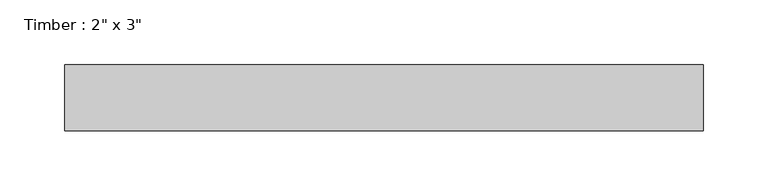
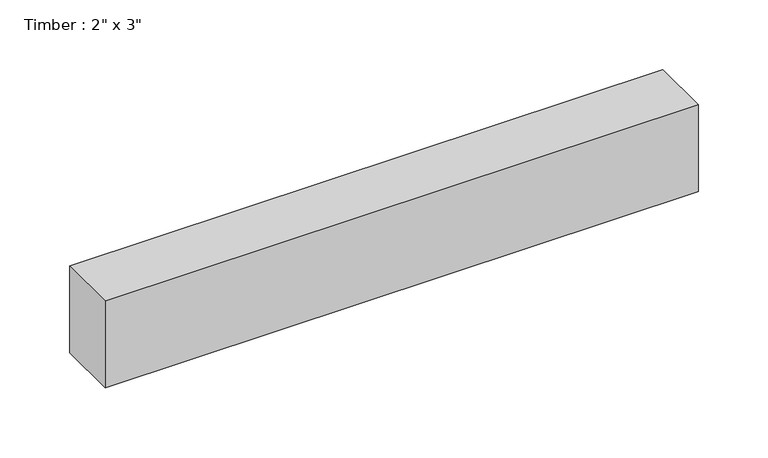
"""IFC4 building model written with IfcOpenShell, lengths in millimetres: beam geometry."""

from ifc_helpers import new_model, si_unit, frame, origin, place, context, project, spatial, polyline, outline, extrude, source, transform, mapped, element, save


def beam_a8c79947(model_context):
    return source(origin(), model_context, "Body", "SweptSolid", [
        extrude(outline(polyline([(245.7070007, -25.4), (-245.7070007, -25.4), (-245.7070007, 25.4), (245.7070007, 25.4), (245.7070007, -25.4)])), frame((0.0, 0.0, -38.1), z_axis=(0.0, 0.0, 1.0), x_axis=(1.0, 0.0, 0.0)), (0.0, 0.0, 1.0), 76.2),
    ])


if __name__ == "__main__":
    model = new_model("IFC4")
    model_context = context("Model", 3, world=origin())
    ifc_project = project(units=[si_unit("LENGTHUNIT", "METRE", prefix="MILLI")], contexts=[model_context])
    site = spatial("IfcSite", under=ifc_project)
    building = spatial("IfcBuilding", under=site)
    placement = place(None, origin())
    beam_shape = beam_a8c79947(model_context)
    element("IfcBeam", 1, ObjectType="Timber : 2\" x 3\"", at=placement, inside=building, context=model_context, shape_type="MappedRepresentation", body=[
        mapped(beam_shape, transform((0.0, 0.0, 0.0), x_axis=(1.0, 0.0, 0.0), y_axis=(0.0, 1.0, 0.0), z_axis=(0.0, 0.0, 1.0))),
    ])
    save(model, "model.ifc")
